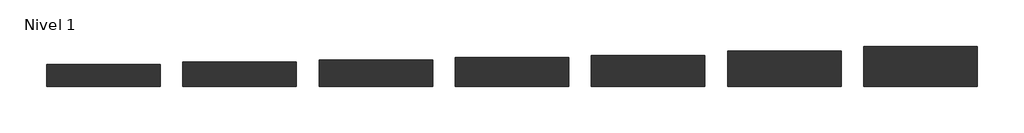
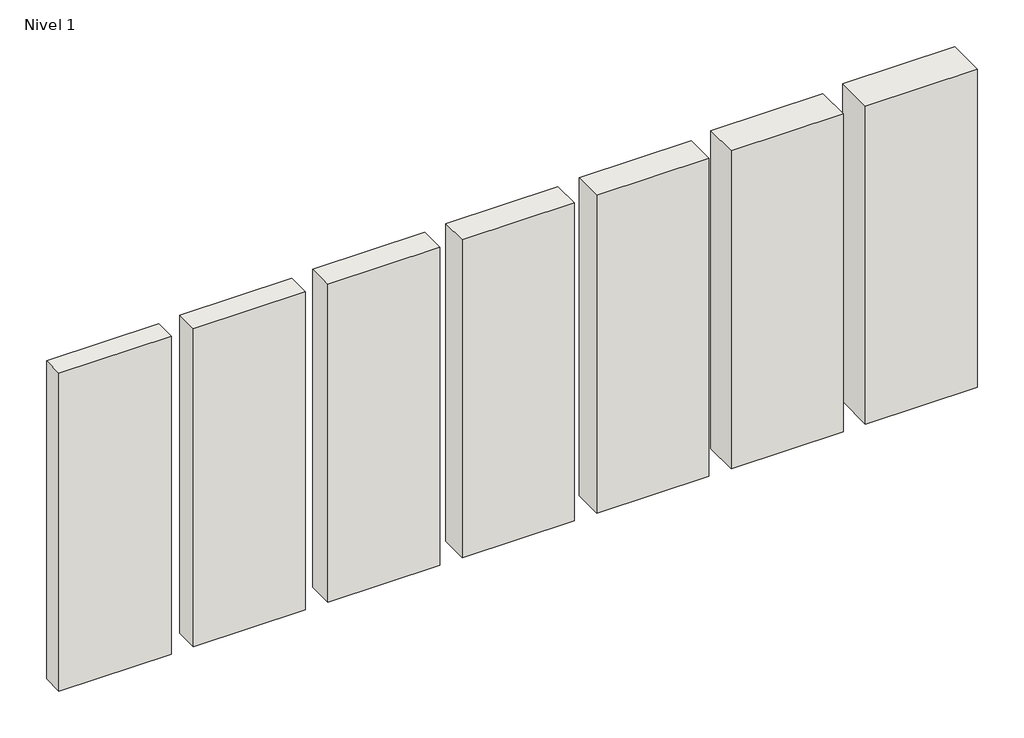
# One storey: 7 walls.
"""IFC4 building model written with IfcOpenShell, lengths in millimetres."""

from ifc_helpers import new_model, si_unit, origin, origin_with_axes, place, context, project, spatial, polyline, outline, extrude, element, save

model = new_model("IFC4")

# Units and contexts
model_context = context("Model", 3, world=origin())
ifc_project = project(units=[si_unit("LENGTHUNIT", "METRE", prefix="MILLI")], contexts=[model_context])

# Site, building, storey
site = spatial("IfcSite", under=ifc_project)
building = spatial("IfcBuilding", under=site)
storey = spatial("IfcBuildingStorey", under=building, Name="Nivel 1", Elevation=0.0)

# Walls
placement = place(None, origin())
element("IfcWall", 1, at=placement, inside=storey, context=model_context, shape_type="SweptSolid", body=[
    extrude(outline(polyline([(1084.4345966, -810.4108764), (84.4345966, -810.4108764), (84.4345966, -597.9108764), (1084.4345966, -597.9108764), (1084.4345966, -810.4108764)])), origin_with_axes(), (0.0, 0.0, 1.0), 3000.0),
])
element("IfcWall", 2, at=placement, inside=storey, context=model_context, shape_type="SweptSolid", body=[
    extrude(outline(polyline([(2284.4345966, -810.4108764), (1284.4345966, -810.4108764), (1284.4345966, -577.9108764), (2284.4345966, -577.9108764), (2284.4345966, -810.4108764)])), origin_with_axes(), (0.0, 0.0, 1.0), 3000.0),
])
element("IfcWall", 3, at=placement, inside=storey, context=model_context, shape_type="SweptSolid", body=[
    extrude(outline(polyline([(3484.4345966, -810.4108764), (2484.4345966, -810.4108764), (2484.4345966, -557.9108764), (3484.4345966, -557.9108764), (3484.4345966, -810.4108764)])), origin_with_axes(), (0.0, 0.0, 1.0), 3000.0),
])
element("IfcWall", 4, at=placement, inside=storey, context=model_context, shape_type="SweptSolid", body=[
    extrude(outline(polyline([(4684.4345966, -810.4108764), (3684.4345966, -810.4108764), (3684.4345966, -537.9108764), (4684.4345966, -537.9108764), (4684.4345966, -810.4108764)])), origin_with_axes(), (0.0, 0.0, 1.0), 3000.0),
])
element("IfcWall", 5, at=placement, inside=storey, context=model_context, shape_type="SweptSolid", body=[
    extrude(outline(polyline([(5884.4345966, -810.4108764), (4884.4345966, -810.4108764), (4884.4345966, -497.9108764), (5884.4345966, -497.9108764), (5884.4345966, -810.4108764)])), origin_with_axes(), (0.0, 0.0, 1.0), 3000.0),
])
element("IfcWall", 6, at=placement, inside=storey, context=model_context, shape_type="SweptSolid", body=[
    extrude(outline(polyline([(7084.4345966, -810.4108764), (6084.4345966, -810.4108764), (6084.4345966, -457.9108764), (7084.4345966, -457.9108764), (7084.4345966, -810.4108764)])), origin_with_axes(), (0.0, 0.0, 1.0), 3000.0),
])
element("IfcWall", 7, at=placement, inside=storey, context=model_context, shape_type="SweptSolid", body=[
    extrude(outline(polyline([(-115.5654034, -810.4108764), (-1115.5654034, -810.4108764), (-1115.5654034, -617.9108764), (-115.5654034, -617.9108764), (-115.5654034, -810.4108764)])), origin_with_axes(), (0.0, 0.0, 1.0), 3000.0),
])

save(model, "model.ifc")
